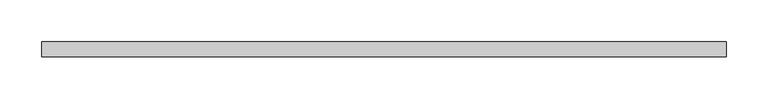
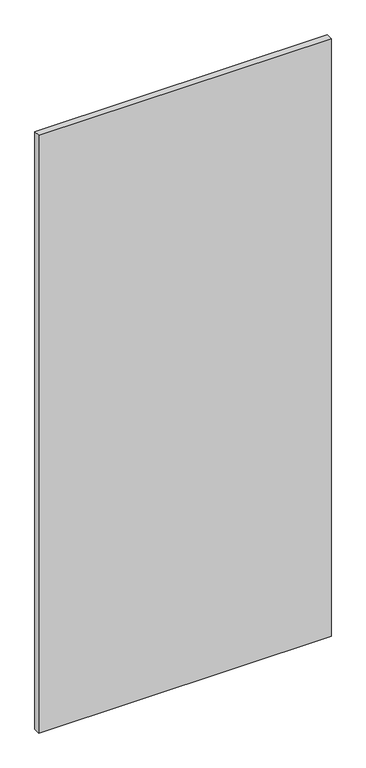
"""IFC4 building model written with IfcOpenShell, lengths in millimetres: plate geometry."""

from ifc_helpers import new_model, si_unit, origin, origin_with_axes, place, context, project, spatial, polyline, outline, extrude, source, transform, mapped, element, save


def plate_ad747baf(model_context):
    return source(origin(), model_context, "Body", "SweptSolid", [
        extrude(outline(polyline([(407.5983506, -8.73125), (-407.5983506, -8.73125), (-407.5983506, 8.73125), (407.5983506, 8.73125), (407.5983506, -8.73125)])), origin_with_axes(), (0.0, 0.0, 1.0), 1761.3),
    ])


if __name__ == "__main__":
    model = new_model("IFC4")
    model_context = context("Model", 3, world=origin())
    ifc_project = project(units=[si_unit("LENGTHUNIT", "METRE", prefix="MILLI")], contexts=[model_context])
    site = spatial("IfcSite", under=ifc_project)
    building = spatial("IfcBuilding", under=site)
    placement = place(None, origin())
    plate_shape = plate_ad747baf(model_context)
    element("IfcPlate", 1, at=placement, inside=building, context=model_context, shape_type="MappedRepresentation", body=[
        mapped(plate_shape, transform((0.0, 0.0, 0.0), x_axis=(1.0, 0.0, 0.0), y_axis=(0.0, 1.0, 0.0), z_axis=(0.0, 0.0, 1.0))),
    ])
    save(model, "model.ifc")
